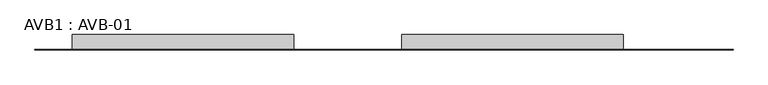
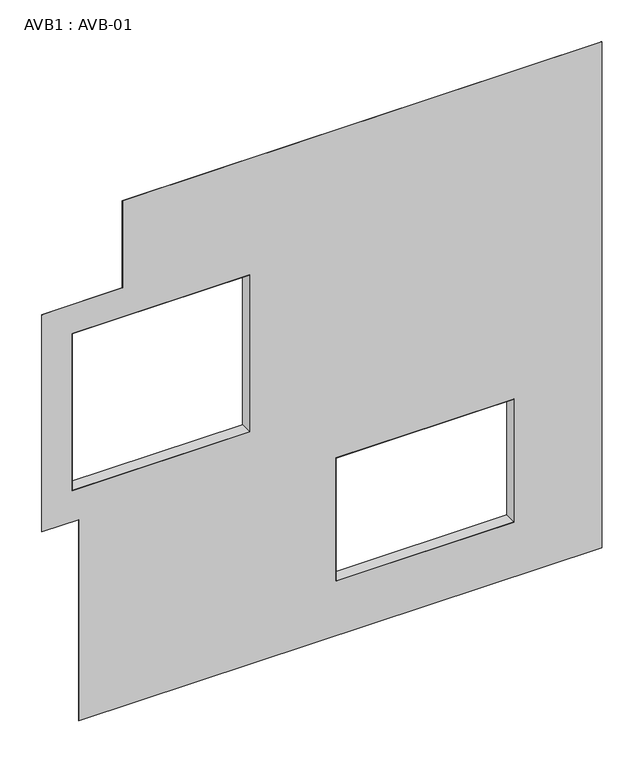
"""IFC4 building model written with IfcOpenShell, lengths in millimetres: proxy geometry, AVB1 : AVB-01."""

from ifc_helpers import new_model, si_unit, frame, origin, place, context, project, spatial, polyline, outline, extrude, source, transform, mapped, element, save


def avb1_avb_01_58b1dbb6(model_context):
    return source(origin(), model_context, "Body", "SweptSolid", [
        extrude(outline(polyline([(8800.0, -12574.1749894), (6500.0, -12574.1749894), (6500.0, -10114.1749894), (8800.0, -10114.1749894), (8800.0, -12574.1749894)]), holes=[polyline([(8796.8400211, -10116.1749894), (6506.2054249, -10116.1749894), (6506.2054249, -12572.1749894), (8796.8400211, -12572.1749894), (8796.8400211, -10116.1749894)])]), frame((0.0, -655.0, 0.0), z_axis=(0.0, 1.0, 0.0), x_axis=(0.0, 0.0, 1.0)), (0.0, 0.0, 1.0), 167.9),
        extrude(outline(polyline([(5700.0, -8914.1749894), (3900.0, -8914.1749894), (3900.0, -6454.1749894), (5700.0, -6454.1749894), (5700.0, -8914.1749894)]), holes=[polyline([(5697.6013796, -6456.1749894), (3902.0, -6456.1749894), (3902.0, -8912.1749894), (5697.6013796, -8912.1749894), (5697.6013796, -6456.1749894)])]), frame((0.0, -655.0, 0.0), z_axis=(0.0, 1.0, 0.0), x_axis=(0.0, 0.0, 1.0)), (0.0, 0.0, 1.0), 167.9),
        extrude(outline(polyline([(10500.0, -11875.8729657), (9223.7268173, -11875.8729657), (9223.7268173, -12991.6747852), (6045.2069555, -12991.6747852), (6045.2069555, -12482.3516223), (3100.0, -12482.3516223), (3100.0, -5234.1749894), (10500.0, -5234.1749894), (10500.0, -11875.8729657)]), holes=[polyline([(8800.0, -12574.1749894), (8800.0, -10114.1749894), (6500.0, -10114.1749894), (6500.0, -12574.1749894), (8800.0, -12574.1749894)]), polyline([(3900.0, -8914.1749894), (5700.0, -8914.1749894), (5700.0, -6454.1749894), (3900.0, -6454.1749894), (3900.0, -8914.1749894)])]), frame((0.0, -655.0, 0.0), z_axis=(0.0, 1.0, 0.0), x_axis=(0.0, 0.0, 1.0)), (0.0, 0.0, 1.0), 2.0),
    ])


if __name__ == "__main__":
    model = new_model("IFC4")
    model_context = context("Model", 3, world=origin())
    ifc_project = project(units=[si_unit("LENGTHUNIT", "METRE", prefix="MILLI")], contexts=[model_context])
    site = spatial("IfcSite", under=ifc_project)
    building = spatial("IfcBuilding", under=site)
    placement = place(None, origin())
    avb1_avb_01_shape = avb1_avb_01_58b1dbb6(model_context)
    element("IfcBuildingElementProxy", 1, Name="AVB1 : AVB-01", ObjectType="AVB1 : AVB-01", at=placement, inside=building, context=model_context, shape_type="MappedRepresentation", body=[
        mapped(avb1_avb_01_shape, transform((0.0, 0.0, 0.0), x_axis=(1.0, 0.0, 0.0), y_axis=(0.0, 1.0, 0.0), z_axis=(0.0, 0.0, 1.0))),
    ])
    save(model, "model.ifc")
